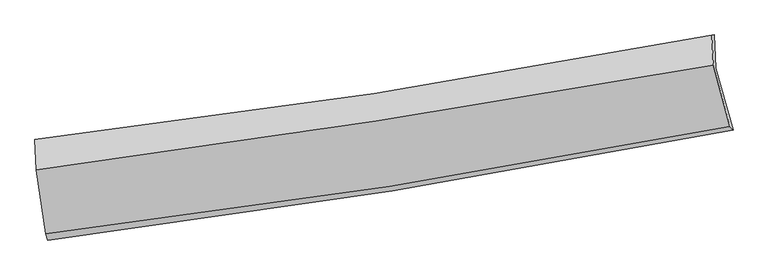
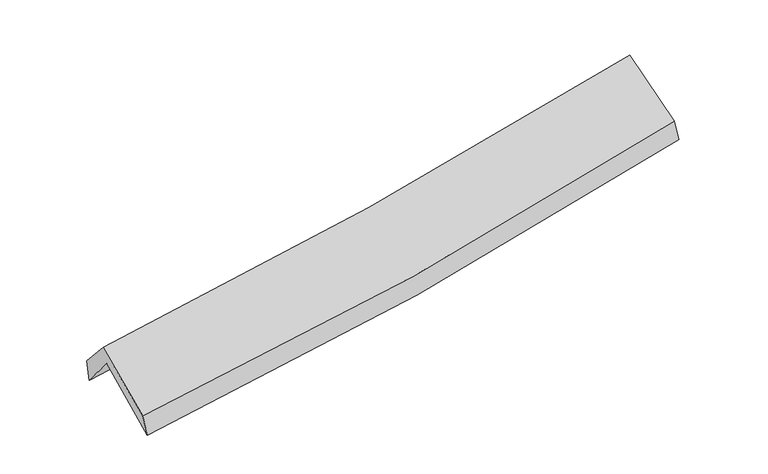
"""IFC4 building model written with IfcOpenShell, lengths in millimetres: proxy geometry."""

from ifc_helpers import new_model, si_unit, frame, origin, place, context, project, spatial, source, transform, mapped, element, save
from ifc_brep_helpers import plane_surface, spline_curve, spline_surface, advanced_brep


def generic_models_d9a060aa(model_context):
    return source(origin(), model_context, "Body", "AdvancedBrep", [
        advanced_brep(
        [(-2652.1768708, -2513.4417777, 1483.6104518), (-2730.6552624, -1997.49618, 1903.8447235), (2661.4223418, -1142.3201032, 2389.2165902), (2798.7835382, -1634.9244397, 1954.2298498), (-2741.9010836, -1730.6846699, 1583.5185765), (2650.2680987, -878.3914937, 2072.9001223), (-2753.7275151, -1712.8536294, 1765.0684689), (2629.775516, -879.9852468, 2255.7014559), (-2742.5391783, -1956.5802774, 2040.9018849), (2641.6057413, -1118.8248761, 2526.6725757), (-2666.6138605, -2464.6754713, 1651.966299), (2774.0940905, -1609.4779227, 2131.4941419)],
        [
            (0, 1),
            (1, 2, spline_curve(3, [(-2730.6552624, -1997.49618, 1903.8447235), (-1824.644659004, -1883.485567997, 1951.243422811), (-922.3097642, -1755.217547591, 2015.389118116), (875.049773796, -1470.16016157, 2177.178206036), (1770.074080398, -1313.369489707, 2274.823133103), (2661.4223418, -1142.3201032, 2389.2165902)], [4, 2, 4], [0.0, 9.043727644231684, 18.08786956571003])),
            (2, 3),
            (3, 0, spline_curve(3, [(2798.7835382, -1634.9244397, 1954.2298498), (1898.994262774, -1812.844781414, 1841.791063603), (994.842420257, -1975.016046543, 1746.35287856), (-822.144782317, -2267.853716221, 1589.481303563), (-1734.979743049, -2398.52156385, 1528.046355695), (-2652.1768708, -2513.4417777, 1483.6104518)], [4, 2, 4], [0.0, 9.044141921478346, 18.08786956571003])),
            (1, 4),
            (4, 5, spline_curve(3, [(-2741.9010836, -1730.6846699, 1583.5185765), (-1835.708955223, -1620.605003995, 1635.54762293), (-933.275664669, -1494.542732461, 1702.34266958), (864.114407164, -1210.446471513, 1865.468498388), (1759.070844104, -1052.411017615, 1961.800634044), (2650.2680987, -878.3914937, 2072.9001223)], [4, 2, 4], [0.0, 8.994068668627794, 17.988549339711973])),
            (5, 2),
            (4, 6),
            (6, 7, spline_curve(3, [(-2753.7275151, -1712.8536294, 1765.0684689), (-1850.543839373, -1606.153265806, 1831.674144734), (-950.336955827, -1483.399342696, 1905.86195474), (844.164327559, -1205.778019178, 2069.405589197), (1738.458454192, -1050.909148255, 2158.762108127), (2629.775516, -879.9852468, 2255.7014559)], [4, 2, 4], [0.0, 8.984079683602019, 17.9685709120826])),
            (7, 5),
            (6, 8),
            (8, 9, spline_curve(3, [(-2742.5391783, -1956.5802774, 2040.9018849), (-1839.887821895, -1834.998695003, 2090.616928405), (-939.893615814, -1704.39675948, 2155.95405608), (854.821600646, -1425.145785469, 2317.876188519), (1749.542367914, -1276.495920752, 2414.462624264), (2641.6057413, -1118.8248761, 2526.6725757)], [4, 2, 4], [0.0, 8.974892816630845, 17.950196757306045])),
            (9, 7),
            (8, 10),
            (10, 11, spline_curve(3, [(-2666.6138605, -2464.6754713, 1651.966299), (-1750.955056672, -2355.48626394, 1694.912412462), (-839.743608, -2229.627211937, 1756.344784166), (973.826116668, -1944.562889865, 1916.185704966), (1876.183984721, -1785.356092204, 2014.595947605), (2774.0940905, -1609.4779227, 2131.4941419)], [4, 2, 4], [0.0, 9.02416020191022, 18.048733784717008])),
            (11, 9),
            (10, 0),
            (3, 11),
        ],
        [
            spline_surface(3, 3, [[(-2652.1768708, -2513.4417777, 1483.6104518), (-1734.979743026, -2398.521563887, 1528.046355845), (-822.144782355, -2267.853716328, 1589.481303437), (994.842420295, -1975.016046437, 1746.352878686), (1898.994262636, -1812.844781329, 1841.791063741), (2798.7835382, -1634.9244397, 1954.2298498)], [(-2678.336334668, -2341.459911798, 1623.688542357), (-1764.868048356, -2226.84289857, 1669.112044839), (-855.53310966, -2096.974993442, 1731.450574986), (954.911538163, -1806.730751509, 1889.961321127), (1856.020868618, -1646.353017437, 1986.135086822), (2752.996472746, -1470.722994201, 2099.225429942)], [(-2704.495798532, -2169.478045902, 1763.766632943), (-1794.756353681, -2055.164233259, 1810.177733861), (-888.921436982, -1926.096270475, 1873.419846564), (914.980656015, -1638.445456499, 2033.569763597), (1813.047474563, -1479.861253541, 2130.479109876), (2707.209407254, -1306.521548699, 2244.221010058)], [(-2730.6552624, -1997.49618, 1903.8447235), (-1824.644659011, -1883.485567942, 1951.243422855), (-922.309764288, -1755.21754759, 2015.389118113), (875.049773883, -1470.160161571, 2177.178206039), (1770.074080545, -1313.369489648, 2274.823132957), (2661.4223418, -1142.3201032, 2389.2165902)]], [4, 4], [4, 2, 4], [0.0, 2.211626297998622], [0.0, 9.043727644231684, 18.08786956571003]),
            spline_surface(3, 3, [[(-2730.6552624, -1997.49618, 1903.8447235), (-1824.644659011, -1883.485567942, 1951.243422855), (-922.309764288, -1755.21754759, 2015.389118113), (875.049773883, -1470.160161571, 2177.178206039), (1770.074080545, -1313.369489648, 2274.823132957), (2661.4223418, -1142.3201032, 2389.2165902)], [(-2734.403869475, -1908.559009954, 1797.069341189), (-1828.332757733, -1795.858713294, 1846.011489588), (-925.965064422, -1668.325942549, 1911.040301914), (871.404651628, -1383.588931503, 2073.27497023), (1766.406335042, -1226.38333226, 2170.482299971), (2657.704260747, -1054.343900014, 2283.777767562)], [(-2738.152476525, -1819.621839946, 1690.293958811), (-1832.020856432, -1708.231858682, 1740.779556254), (-929.620364522, -1581.434337578, 1806.691485635), (867.759529408, -1297.017701505, 1969.37173434), (1762.738589598, -1139.397174928, 2066.141466999), (2653.986179753, -966.367696886, 2178.338944938)], [(-2741.9010836, -1730.6846699, 1583.5185765), (-1835.708955154, -1620.605004033, 1635.547622987), (-933.275664657, -1494.542732537, 1702.342669437), (864.114407152, -1210.446471437, 1865.468498531), (1759.070844095, -1052.41101754, 1961.800634013), (2650.2680987, -878.3914937, 2072.9001223)]], [4, 4], [4, 2, 4], [0.0, 1.3343018889759126], [0.0, 8.994068668627794, 17.988549339711973]),
            spline_surface(3, 3, [[(-2741.9010836, -1730.6846699, 1583.5185765), (-1835.708955154, -1620.605004033, 1635.547622987), (-933.275664657, -1494.542732537, 1702.342669437), (864.114407152, -1210.446471437, 1865.468498531), (1759.070844095, -1052.41101754, 1961.800634013), (2650.2680987, -878.3914937, 2072.9001223)], [(-2745.843227425, -1724.74098975, 1644.035207288), (-1840.653916505, -1615.787757942, 1700.923130233), (-938.96276165, -1490.828269258, 1770.182431218), (857.46438059, -1208.890320725, 1933.447528732), (1752.20004749, -1051.910394414, 2027.454458705), (2643.43723782, -878.922744748, 2133.83390017)], [(-2749.785371275, -1718.79730955, 1704.551838112), (-1845.598877883, -1610.970511801, 1766.298637514), (-944.649858693, -1487.113805915, 1838.022193011), (850.814353979, -1207.334169949, 2001.426558944), (1745.329250826, -1051.409771245, 2093.108283386), (2636.60637688, -879.453995752, 2194.76767803)], [(-2753.7275151, -1712.8536294, 1765.0684689), (-1850.543839234, -1606.15326571, 1831.674144759), (-950.336955686, -1483.399342637, 1905.861954792), (844.164327418, -1205.778019236, 2069.405589145), (1738.458454221, -1050.909148119, 2158.762108078), (2629.775516, -879.9852468, 2255.7014559)]], [4, 4], [4, 2, 4], [0.0, 0.671652454736261], [0.0, 8.984079683602019, 17.9685709120826]),
            spline_surface(3, 3, [[(-2753.7275151, -1712.8536294, 1765.0684689), (-1850.543839234, -1606.15326571, 1831.674144759), (-950.336955686, -1483.399342637, 1905.861954792), (844.164327418, -1205.778019236, 2069.405589145), (1738.458454221, -1050.909148119, 2158.762108078), (2629.775516, -879.9852468, 2255.7014559)], [(-2749.998069517, -1794.095845399, 1857.012940898), (-1846.991833473, -1682.435075516, 1917.988405975), (-946.855842448, -1557.065148239, 1989.225988544), (847.716751839, -1278.900607968, 2152.229122223), (1742.153092111, -1126.104738975, 2243.995613483), (2633.718924418, -959.598456561, 2346.025162486)], [(-2746.268623883, -1875.338061401, 1948.957412902), (-1843.439827661, -1758.716885323, 2004.302667199), (-943.374729149, -1630.730953879, 2072.590022382), (851.269176321, -1352.023196737, 2235.052655387), (1745.847730046, -1201.300329849, 2329.22911893), (2637.662332882, -1039.211666339, 2436.348869114)], [(-2742.5391783, -1956.5802774, 2040.9018849), (-1839.8878219, -1834.998695129, 2090.616928415), (-939.893615911, -1704.39675948, 2155.954056133), (854.821600742, -1425.145785468, 2317.876188466), (1749.542367935, -1276.495920705, 2414.462624336), (2641.6057413, -1118.8248761, 2526.6725757)]], [4, 4], [4, 2, 4], [0.0, 1.091750137397804], [0.0, 8.974892816630845, 17.950196757306045]),
            spline_surface(3, 3, [[(-2742.5391783, -1956.5802774, 2040.9018849), (-1839.8878219, -1834.998695129, 2090.616928415), (-939.893615911, -1704.39675948, 2155.954056133), (854.821600742, -1425.145785468, 2317.876188466), (1749.542367935, -1276.495920705, 2414.462624336), (2641.6057413, -1118.8248761, 2526.6725757)], [(-2717.230739022, -2125.945342019, 1911.256689609), (-1810.243566807, -2008.494551412, 1958.715423132), (-906.510279914, -1879.473577003, 2022.750965517), (894.489772674, -1598.284820241, 2183.97936061), (1791.756240225, -1446.115977875, 2281.173732045), (2685.768524366, -1282.375891632, 2394.946431102)], [(-2691.922299778, -2295.310406681, 1781.611494291), (-1780.599311749, -2181.990407738, 1826.813917822), (-873.126943892, -2054.55039451, 1889.547874875), (934.157944631, -1771.423854997, 2050.082532728), (1833.970112516, -1615.736035049, 2147.884839747), (2729.931307434, -1445.926907168, 2263.220286498)], [(-2666.6138605, -2464.6754713, 1651.966299), (-1750.955056657, -2355.486264021, 1694.912412539), (-839.743607895, -2229.627212033, 1756.344784259), (973.826116563, -1944.562889769, 1916.185704873), (1876.183984806, -1785.35609222, 2014.595947456), (2774.0940905, -1609.4779227, 2131.4941419)]], [4, 4], [4, 2, 4], [0.0, 2.189452775870104], [0.0, 9.02416020191022, 18.048733784717008]),
            spline_surface(3, 3, [[(-2666.6138605, -2464.6754713, 1651.966299), (-1750.955056657, -2355.486264021, 1694.912412539), (-839.743607895, -2229.627212033, 1756.344784259), (973.826116563, -1944.562889769, 1916.185704873), (1876.183984806, -1785.35609222, 2014.595947456), (2774.0940905, -1609.4779227, 2131.4941419)], [(-2661.801530594, -2480.930906779, 1595.847683259), (-1745.629952107, -2369.831363989, 1639.290393634), (-833.877332697, -2242.369380113, 1700.723623991), (980.831551158, -1954.713941974, 1859.574762817), (1883.787410752, -1794.5189886, 1956.994319554), (2782.323906403, -1617.960095044, 2072.406044537)], [(-2656.989200706, -2497.186342221, 1539.729067541), (-1740.304847576, -2384.176463919, 1583.668374751), (-828.011057553, -2255.111548248, 1645.102463705), (987.836985699, -1964.864994233, 1802.963820742), (1891.39083669, -1803.681884949, 1899.392691642), (2790.553722297, -1626.442267356, 2013.317947163)], [(-2652.1768708, -2513.4417777, 1483.6104518), (-1734.979743026, -2398.521563887, 1528.046355845), (-822.144782355, -2267.853716328, 1589.481303437), (994.842420295, -1975.016046437, 1746.352878686), (1898.994262636, -1812.844781329, 1841.791063741), (2798.7835382, -1634.9244397, 1954.2298498)]], [4, 4], [4, 2, 4], [0.0, 0.5672449832006836], [0.0, 9.082991553854821, 18.166399183566902]),
            plane_surface(frame((2692.6582211, -1210.6540137, 2221.702456), z_axis=(0.9783376775405738, 0.17461562324319724, 0.11119700006702722), x_axis=(0.2057958454675038, -0.7621376458073861, -0.6138357099676515))),
            plane_surface(frame((-2714.6022951, -2062.622001, 1738.1517341), z_axis=(-0.9927943766793816, -0.1068853165616895, -0.05417429960143325), x_axis=(-0.08208896638679988, 0.27728603872147106, 0.9572741792860089))),
        ],
        [
            (0, [[1, 2, 3, 4]]),
            (1, [[5, 6, 7, -2]]),
            (2, [[8, 9, 10, -6]]),
            (3, [[11, 12, 13, -9]]),
            (4, [[14, 15, 16, -12]]),
            (5, [[17, -4, 18, -15]]),
            (6, [[-16, -18, -3, -7, -10, -13]]),
            (7, [[-17, -14, -11, -8, -5, -1]]),
        ],
    ),
    ])


if __name__ == "__main__":
    model = new_model("IFC4")
    model_context = context("Model", 3, world=origin())
    ifc_project = project(units=[si_unit("LENGTHUNIT", "METRE", prefix="MILLI")], contexts=[model_context])
    site = spatial("IfcSite", under=ifc_project)
    building = spatial("IfcBuilding", under=site)
    placement = place(None, origin())
    generic_models_shape = generic_models_d9a060aa(model_context)
    element("IfcBuildingElementProxy", 1, Name="Generic Models", at=placement, inside=building, context=model_context, shape_type="MappedRepresentation", body=[
        mapped(generic_models_shape, transform((0.0, 0.0, 0.0), x_axis=(1.0, 0.0, 0.0), y_axis=(0.0, 1.0, 0.0), z_axis=(0.0, 0.0, 1.0))),
    ])
    save(model, "model.ifc")
